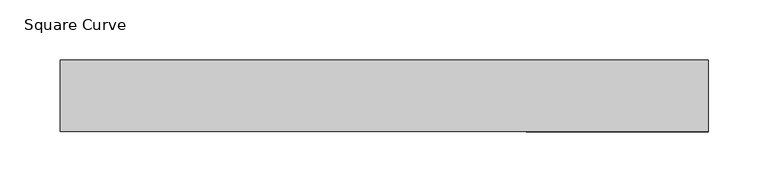
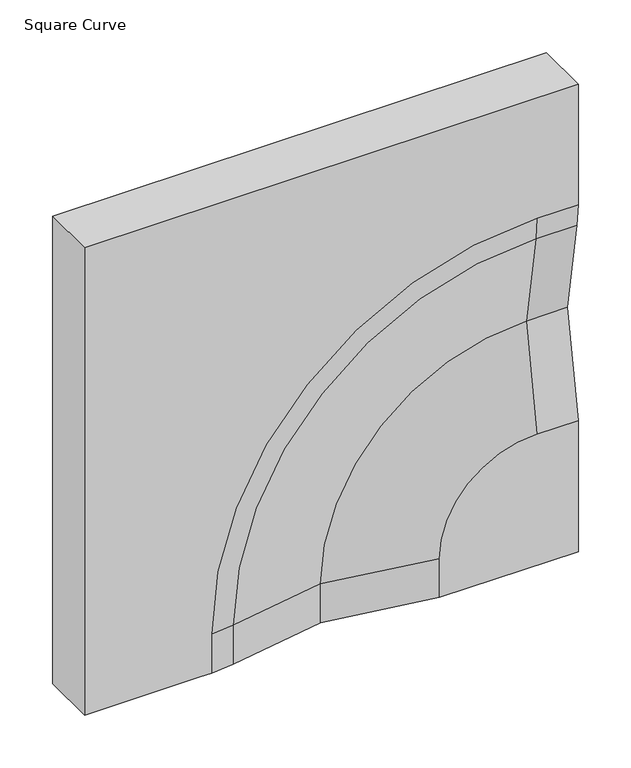
"""IFC4 building model written with IfcOpenShell, lengths in millimetres: furniture geometry, Square Curve."""

from ifc_helpers import new_model, si_unit, point, frame, origin, place, context, project, spatial, polyline, circle_curve, ellipse_curve, trimmed, source, transform, mapped, element, save
from ifc_brep_helpers import plane_surface, cylinder_surface, revolved_surface, advanced_brep


def square_curve_739c5dcb(model_context):
    return source(origin(), model_context, "Body", "AdvancedBrep", [
        advanced_brep(
        [(270.0, -60.0, 2040.0), (-270.0, -60.0, 2040.0), (-270.0, -60.0, 1500.0), (-145.0, -60.0, 1500.0), (-131.0875949, -60.0, 1500.0), (-131.0875949, -60.0, 1545.0), (225.0, -60.0, 1901.0875949), (270.0, -60.0, 1901.0875949), (270.0, -60.0, 1915.0), (118.5203808, -60.0, 1500.0), (270.0, -60.0, 1500.0), (270.0, -60.0, 1651.4796192), (225.0, -60.0, 1651.4796192), (118.5203808, -60.0, 1545.0), (270.0, 0.0, 2040.0), (270.0, 0.0, 1500.0), (-270.0, 0.0, 1500.0), (-270.0, 0.0, 2040.0), (0.0, -40.0, 1500.0), (-106.1283636, -57.90888, 1500.0), (270.0, -57.90888, 1876.1283636), (270.0, -40.0, 1770.0), (0.0, -40.0, 1545.0), (225.0, -40.0, 1770.0), (-106.1283636, -57.90888, 1545.0), (225.0, -57.90888, 1876.1283636)],
        [
            (0, 1),
            (1, 2),
            (2, 3),
            (3, 4),
            (4, 5),
            (5, 6, circle_curve(frame((225.0, -60.0, 1545.0), z_axis=(0.0, 1.0, 0.0), x_axis=(-1.0, 0.0, 0.0)), 356.0875949)),
            (6, 7),
            (7, 8),
            (8, 0),
            (9, 10),
            (10, 11),
            (11, 12),
            (12, 13, circle_curve(frame((225.0, -60.0, 1545.0), z_axis=(0.0, -1.0, 0.0), x_axis=(-1.0, 0.0, 0.0)), 106.4796192)),
            (13, 9),
            (14, 15),
            (15, 16),
            (16, 17),
            (17, 14),
            (0, 14),
            (17, 1),
            (16, 2),
            (15, 10),
            (9, 18),
            (18, 19),
            (19, 4, circle_curve(frame((-131.0875949, 90.0, 1500.0), z_axis=(0.0, 0.0, -1.0), x_axis=(-1.0, 0.0, 0.0)), 150.0)),
            (7, 20, circle_curve(frame((270.0, 90.0, 1901.0875949), z_axis=(1.0, 0.0, 0.0), x_axis=(0.0, 0.0, 1.0)), 150.0)),
            (20, 21),
            (21, 11),
            (22, 18),
            (13, 22),
            (23, 22, circle_curve(frame((225.0, -40.0, 1545.0), z_axis=(0.0, -1.0, 0.0), x_axis=(-1.0, 0.0, 0.0)), 225.0)),
            (12, 23),
            (21, 23),
            (19, 24),
            (24, 5, circle_curve(frame((-131.0875949, 90.0, 1545.0), z_axis=(0.0, 0.0, -1.0), x_axis=(-1.0, 0.0, 0.0)), 150.0)),
            (22, 24),
            (24, 25, circle_curve(frame((225.0, -57.90888, 1545.0), z_axis=(0.0, 1.0, 0.0), x_axis=(-1.0, 0.0, 0.0)), 331.1283636)),
            (25, 6, circle_curve(frame((225.0, 90.0, 1901.0875949), z_axis=(-1.0, 0.0, 0.0), x_axis=(0.0, 0.0, 1.0)), 150.0)),
            (23, 25),
            (25, 20),
        ],
        [
            plane_surface(frame((-270.0, -60.0, 2040.0), z_axis=(0.0, -1.0, 0.0), x_axis=(-1.0, 0.0, 0.0))),
            plane_surface(frame((-270.0, 0.0, 2040.0), z_axis=(0.0, 1.0, 0.0), x_axis=(1.0, 0.0, 0.0))),
            plane_surface(frame((270.0, -60.0, 2040.0), z_axis=(0.0, 0.0, 1.0), x_axis=(0.0, 1.0, 0.0))),
            plane_surface(frame((-270.0, -60.0, 2040.0), z_axis=(-1.0, 0.0, 0.0), x_axis=(0.0, 1.0, 0.0))),
            plane_surface(frame((-270.0, -60.0, 1500.0), z_axis=(0.0, 0.0, -1.0), x_axis=(0.0, 1.0, 0.0))),
            plane_surface(frame((270.0, -60.0, 1500.0), z_axis=(1.0, 0.0, 0.0), x_axis=(0.0, 1.0, 0.0))),
            plane_surface(frame((0.0, -40.0, 1500.0), z_axis=(-0.1663948754508185, -0.9860591997561337, 0.0), x_axis=(0.0, 0.0, 1.0))),
            revolved_surface(polyline([(120.0, -60.2496818, 1545.0), (0.0, -40.0, 1545.0)]), (225.0, -60.0, 1545.0), (0.0, 1.0, 0.0)),
            plane_surface(frame((225.0, -40.0, 1770.0), z_axis=(0.0, -0.9860591997561331, 0.16639487545082166), x_axis=(1.0, 0.0, 0.0))),
            cylinder_surface(frame((-131.0875949, 90.0, 1500.0), z_axis=(0.0, 0.0, 1.0), x_axis=(-1.0, 0.0, 0.0)), 150.0),
            plane_surface(frame((-106.1283636, -57.90888, 1500.0), z_axis=(0.16639487545078646, -0.9860591997561391, 0.0), x_axis=(0.0, 0.0, 1.0))),
            revolved_surface(trimmed(ellipse_curve(frame((-131.0875949, 90.0, 1545.0), z_axis=(0.0, 0.0, -1.0), x_axis=(-1.0, 0.0, 0.0)), 150.0, 150.0), [point((-106.1283636, -57.90888, 1545.0))], [point((-131.0875949, -60.0, 1545.0))], True, "CARTESIAN"), (225.0, -60.0, 1545.0), (0.0, 1.0, 0.0)),
            revolved_surface(polyline([(0.0, -40.0, 1545.0), (-106.1283636, -57.90888, 1545.0)]), (225.0, -60.0, 1545.0), (0.0, 1.0, 0.0)),
            cylinder_surface(frame((225.0, 90.0, 1901.0875949), z_axis=(1.0, 0.0, 0.0), x_axis=(0.0, 0.0, 1.0)), 150.0),
            plane_surface(frame((225.0, -57.90888, 1876.1283636), z_axis=(0.0, -0.9860591997561396, -0.1663948754507833), x_axis=(1.0, 0.0, 0.0))),
        ],
        [
            (0, [[1, 2, 3, 4, 5, 6, 7, 8, 9]]),
            (0, [[10, 11, 12, 13, 14]]),
            (1, [[15, 16, 17, 18]]),
            (2, [[-1, 19, -18, 20]]),
            (3, [[-2, -20, -17, 21]]),
            (4, [[-16, 22, -10, 23, 24, 25, -4, -3, -21]]),
            (5, [[-15, -19, -9, -8, 26, 27, 28, -11, -22]]),
            (6, [[29, -23, -14, 30]]),
            (7, [[31, -30, -13, 32]]),
            (8, [[33, -32, -12, -28]]),
            (9, [[34, 35, -5, -25]]),
            (10, [[-29, 36, -34, -24]]),
            (11, [[-35, 37, 38, -6]]),
            (12, [[-31, 39, -37, -36]]),
            (13, [[-38, 40, -26, -7]]),
            (14, [[-33, -27, -40, -39]]),
        ],
    ),
    ])


if __name__ == "__main__":
    model = new_model("IFC4")
    model_context = context("Model", 3, world=origin())
    ifc_project = project(units=[si_unit("LENGTHUNIT", "METRE", prefix="MILLI")], contexts=[model_context])
    site = spatial("IfcSite", under=ifc_project)
    building = spatial("IfcBuilding", under=site)
    placement = place(None, origin())
    square_curve_shape = square_curve_739c5dcb(model_context)
    element("IfcFurniture", 1, ObjectType="Square Curve", at=placement, inside=building, context=model_context, shape_type="MappedRepresentation", body=[
        mapped(square_curve_shape, transform((0.0, 0.0, 0.0), x_axis=(1.0, 0.0, 0.0), y_axis=(0.0, 1.0, 0.0), z_axis=(0.0, 0.0, 1.0))),
    ])
    save(model, "model.ifc")
